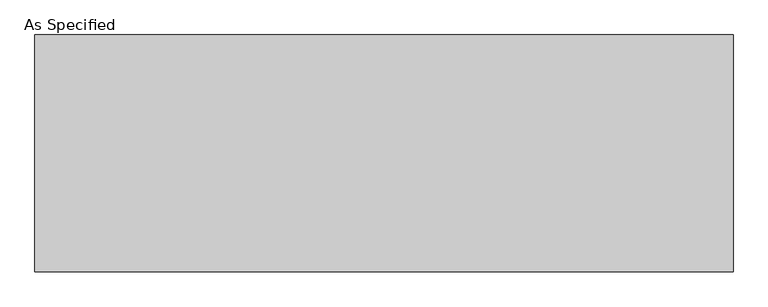
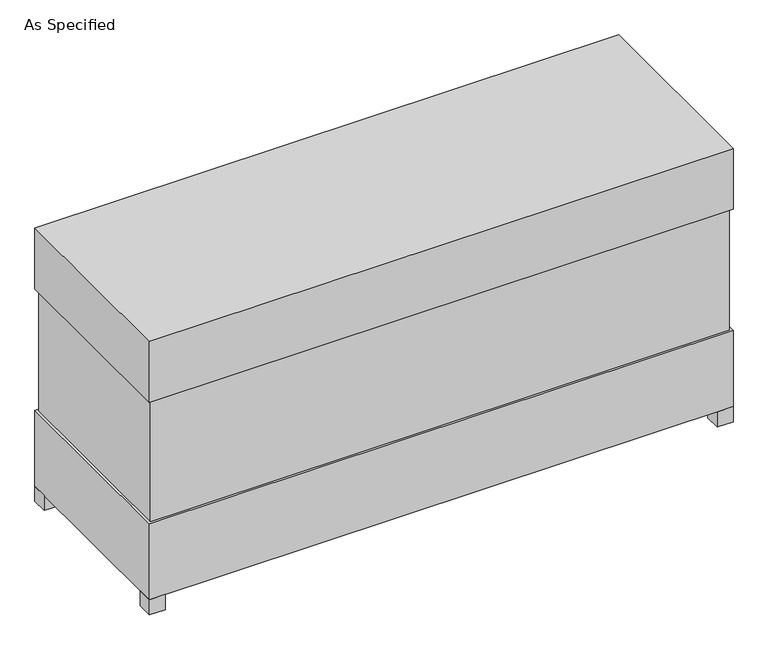
"""IFC4 building model written with IfcOpenShell, lengths in millimetres: proxy geometry, As Specified."""

from ifc_helpers import new_model, si_unit, frame, origin, origin_with_axes, place, context, project, spatial, polyline, outline, extrude, source, transform, mapped, element, save


def as_specified_3ac76ad0(model_context):
    return source(origin(), model_context, "Body", "SweptSolid", [
        extrude(outline(polyline([(1373.1875, 458.7875), (1373.1875, -458.7875), (-1373.1875, -458.7875), (-1373.1875, 458.7875), (1373.1875, 458.7875)])), frame((0.0, 0.0, 457.2), z_axis=(0.0, 0.0, 1.0), x_axis=(1.0, 0.0, 0.0)), (0.0, 0.0, 1.0), 609.6),
        extrude(outline(polyline([(1384.3, 469.9), (1384.3, -469.9), (-1384.3, -469.9), (-1384.3, 469.9), (1384.3, 469.9)])), frame((0.0, 0.0, 1066.8), z_axis=(0.0, 0.0, 1.0), x_axis=(1.0, 0.0, 0.0)), (0.0, 0.0, 1.0), 304.8),
        extrude(outline(polyline([(1270.0, 254.0), (1270.0, 177.8), (1193.8, 177.8), (1193.8, 254.0), (1270.0, 254.0)])), frame((0.0, 0.0, 50.8), z_axis=(0.0, 0.0, 1.0), x_axis=(1.0, 0.0, 0.0)), (0.0, 0.0, 1.0), 25.4),
        extrude(outline(polyline([(1270.0, -177.8), (1270.0, -254.0), (1193.8, -254.0), (1193.8, -177.8), (1270.0, -177.8)])), frame((0.0, 0.0, 50.8), z_axis=(0.0, 0.0, 1.0), x_axis=(1.0, 0.0, 0.0)), (0.0, 0.0, 1.0), 25.4),
        extrude(outline(polyline([(-1308.1, 469.9), (-1308.1, 393.7), (-1384.3, 393.7), (-1384.3, 469.9), (-1308.1, 469.9)])), origin_with_axes(), (0.0, 0.0, 1.0), 76.2),
        extrude(outline(polyline([(1384.3, 469.9), (1384.3, 393.7), (1308.1, 393.7), (1308.1, 469.9), (1384.3, 469.9)])), origin_with_axes(), (0.0, 0.0, 1.0), 76.2),
        extrude(outline(polyline([(1384.3, -393.7), (1384.3, -469.9), (1308.1, -469.9), (1308.1, -393.7), (1384.3, -393.7)])), origin_with_axes(), (0.0, 0.0, 1.0), 76.2),
        extrude(outline(polyline([(-1308.1, -393.7), (-1308.1, -469.9), (-1384.3, -469.9), (-1384.3, -393.7), (-1308.1, -393.7)])), origin_with_axes(), (0.0, 0.0, 1.0), 76.2),
        extrude(outline(polyline([(1384.3, 469.9), (1384.3, -469.9), (-1384.3, -469.9), (-1384.3, 469.9), (1384.3, 469.9)])), frame((0.0, 0.0, 76.2), z_axis=(0.0, 0.0, 1.0), x_axis=(1.0, 0.0, 0.0)), (0.0, 0.0, 1.0), 381.0),
    ])


if __name__ == "__main__":
    model = new_model("IFC4")
    model_context = context("Model", 3, world=origin())
    ifc_project = project(units=[si_unit("LENGTHUNIT", "METRE", prefix="MILLI")], contexts=[model_context])
    site = spatial("IfcSite", under=ifc_project)
    building = spatial("IfcBuilding", under=site)
    placement = place(None, origin())
    as_specified_shape = as_specified_3ac76ad0(model_context)
    element("IfcBuildingElementProxy", 1, Name="As Specified", ObjectType="As Specified", at=placement, inside=building, context=model_context, shape_type="MappedRepresentation", body=[
        mapped(as_specified_shape, transform((0.0, 0.0, 0.0), x_axis=(1.0, 0.0, 0.0), y_axis=(0.0, 1.0, 0.0), z_axis=(0.0, 0.0, 1.0))),
    ])
    save(model, "model.ifc")
